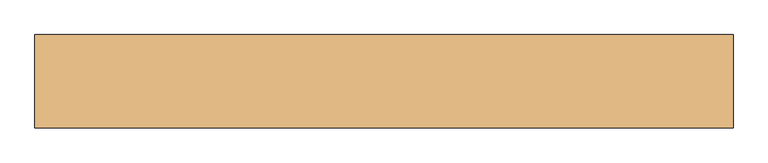
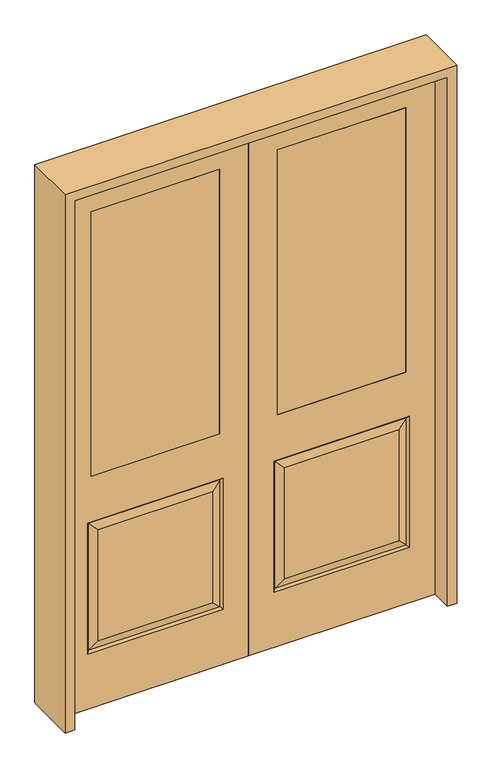
"""IFC4 building model written with IfcOpenShell, lengths in millimetres: door geometry."""

from ifc_helpers import new_model, si_unit, frame, origin, place, context, project, spatial, polyline, outline, extrude, faceted_brep, source, transform, mapped, element, save


def door_e2b653da(model_context):
    return source(origin(), model_context, "Body", "SolidModel", [
        faceted_brep([(0.0, -20.6375, 0.0), (0.0, 20.6375, 0.0), (812.8, 20.6375, 0.0), (812.8, -20.6375, 0.0), (0.0, -20.6375, 2438.4), (0.0, 20.6375, 2438.4), (655.6375, 20.6375, 300.0375), (157.1625, 20.6375, 300.0375), (157.1625, 20.6375, 811.2125), (655.6375, 20.6375, 811.2125), (812.8, 20.6375, 2438.4), (111.125, 20.6375, 254.0), (701.675, 20.6375, 254.0), (701.675, 20.6375, 857.25), (111.125, 20.6375, 857.25), (685.8, 20.6375, 2286.0), (127.0, 20.6375, 2286.0), (127.0, 20.6375, 1066.8), (685.8, 20.6375, 1066.8), (812.8, -20.6375, 2438.4), (655.6375, -20.6375, 811.2125), (157.1625, -20.6375, 811.2125), (157.1625, -20.6375, 300.0375), (655.6375, -20.6375, 300.0375), (111.125, -20.6375, 857.25), (701.675, -20.6375, 857.25), (701.675, -20.6375, 254.0), (111.125, -20.6375, 254.0), (127.0, -20.6375, 2286.0), (685.8, -20.6375, 2286.0), (685.8, -20.6375, 1066.8), (127.0, -20.6375, 1066.8), (120.1052561, -11.6572439, 848.2697439), (692.6947439, -11.6572439, 848.2697439), (692.6947439, -11.6572439, 262.9802561), (120.1052561, -11.6572439, 262.9802561), (120.1052561, 11.6572439, 262.9802561), (692.6947439, 11.6572439, 262.9802561), (692.6947439, 11.6572439, 848.2697439), (120.1052561, 11.6572439, 848.2697439)], [[[0, 1, 2, 3]], [[4, 5, 1, 0]], [[6, 7, 8, 9]], [[5, 10, 2, 1], [11, 12, 13, 14], [15, 16, 17, 18]], [[10, 19, 3, 2]], [[20, 21, 22, 23]], [[19, 4, 0, 3], [24, 25, 26, 27], [28, 29, 30, 31]], [[32, 33, 25, 24]], [[25, 33, 34, 26]], [[26, 34, 35, 27]], [[32, 24, 27, 35]], [[33, 32, 21, 20]], [[21, 32, 35, 22]], [[34, 23, 22, 35]], [[33, 20, 23, 34]], [[29, 15, 18, 30]], [[30, 18, 17, 31]], [[16, 28, 31, 17]], [[36, 37, 12, 11]], [[12, 37, 38, 13]], [[13, 38, 39, 14]], [[36, 11, 14, 39]], [[37, 36, 7, 6]], [[7, 36, 39, 8]], [[38, 9, 8, 39]], [[37, 6, 9, 38]], [[4, 19, 10, 5]], [[15, 29, 28, 16]]]),
        extrude(outline(polyline([(127.0, 20.6375), (685.8, 20.6375), (685.8, -20.6375), (127.0, -20.6375), (127.0, 20.6375)])), frame((0.0, 0.0, 1066.8), z_axis=(0.0, 0.0, 1.0), x_axis=(1.0, 0.0, 0.0)), (0.0, 0.0, 1.0), 1219.2),
        faceted_brep([(0.0, -20.6375, 0.0), (-812.8, -20.6375, 0.0), (-812.8, 20.6375, 0.0), (0.0, 20.6375, 0.0), (0.0, -20.6375, 2438.4), (0.0, 20.6375, 2438.4), (-812.8, 20.6375, 2438.4), (-111.125, 20.6375, 254.0), (-111.125, 20.6375, 857.25), (-701.675, 20.6375, 857.25), (-701.675, 20.6375, 254.0), (-685.8, 20.6375, 2286.0), (-685.8, 20.6375, 1066.8), (-127.0, 20.6375, 1066.8), (-127.0, 20.6375, 2286.0), (-655.6375, 20.6375, 300.0375), (-655.6375, 20.6375, 811.2125), (-157.1625, 20.6375, 811.2125), (-157.1625, 20.6375, 300.0375), (-812.8, -20.6375, 2438.4), (-111.125, -20.6375, 857.25), (-111.125, -20.6375, 254.0), (-701.675, -20.6375, 254.0), (-701.675, -20.6375, 857.25), (-127.0, -20.6375, 2286.0), (-127.0, -20.6375, 1066.8), (-685.8, -20.6375, 1066.8), (-685.8, -20.6375, 2286.0), (-655.6375, -20.6375, 811.2125), (-655.6375, -20.6375, 300.0375), (-157.1625, -20.6375, 300.0375), (-157.1625, -20.6375, 811.2125), (-120.1052561, -11.6572439, 848.2697439), (-692.6947439, -11.6572439, 848.2697439), (-692.6947439, -11.6572439, 262.9802561), (-120.1052561, -11.6572439, 262.9802561), (-120.1052561, 11.6572439, 262.9802561), (-692.6947439, 11.6572439, 262.9802561), (-692.6947439, 11.6572439, 848.2697439), (-120.1052561, 11.6572439, 848.2697439)], [[[0, 1, 2, 3]], [[4, 0, 3, 5]], [[5, 3, 2, 6], [7, 8, 9, 10], [11, 12, 13, 14]], [[15, 16, 17, 18]], [[6, 2, 1, 19]], [[19, 1, 0, 4], [20, 21, 22, 23], [24, 25, 26, 27]], [[28, 29, 30, 31]], [[32, 20, 23, 33]], [[23, 22, 34, 33]], [[22, 21, 35, 34]], [[32, 35, 21, 20]], [[33, 28, 31, 32]], [[31, 30, 35, 32]], [[34, 35, 30, 29]], [[33, 34, 29, 28]], [[27, 26, 12, 11]], [[26, 25, 13, 12]], [[14, 13, 25, 24]], [[36, 7, 10, 37]], [[10, 9, 38, 37]], [[9, 8, 39, 38]], [[36, 39, 8, 7]], [[37, 15, 18, 36]], [[18, 17, 39, 36]], [[38, 39, 17, 16]], [[37, 38, 16, 15]], [[4, 5, 6, 19]], [[11, 14, 24, 27]]]),
        extrude(outline(polyline([(-127.0, 20.6375), (-127.0, -20.6375), (-685.8, -20.6375), (-685.8, 20.6375), (-127.0, 20.6375)])), frame((0.0, 0.0, 1066.8), z_axis=(0.0, 0.0, 1.0), x_axis=(1.0, 0.0, 0.0)), (0.0, 0.0, 1.0), 1219.2),
        extrude(outline(polyline([(2479.675, -854.075), (0.0, -854.075), (0.0, -812.8), (2438.4, -812.8), (2438.4, 812.8), (0.0, 812.8), (0.0, 854.075), (2479.675, 854.075), (2479.675, -854.075)])), frame((0.0, -114.3, 0.0), z_axis=(0.0, 1.0, 0.0), x_axis=(0.0, 0.0, 1.0)), (0.0, 0.0, 1.0), 228.6),
    ])


if __name__ == "__main__":
    model = new_model("IFC4")
    model_context = context("Model", 3, world=origin())
    ifc_project = project(units=[si_unit("LENGTHUNIT", "METRE", prefix="MILLI")], contexts=[model_context])
    site = spatial("IfcSite", under=ifc_project)
    building = spatial("IfcBuilding", under=site)
    placement = place(None, origin())
    door_shape = door_e2b653da(model_context)
    element("IfcDoor", 1, at=placement, inside=building, context=model_context, shape_type="MappedRepresentation", body=[
        mapped(door_shape, transform((0.0, 0.0, 0.0), x_axis=(1.0, 0.0, 0.0), y_axis=(0.0, 1.0, 0.0), z_axis=(0.0, 0.0, 1.0))),
    ])
    save(model, "model.ifc")
